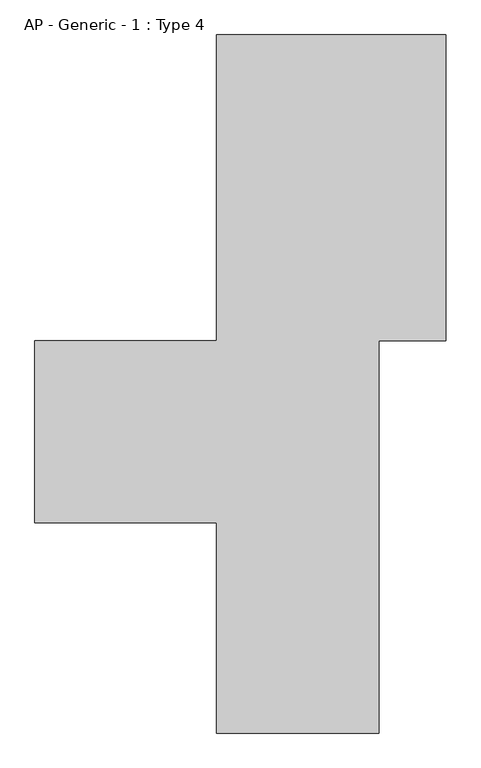
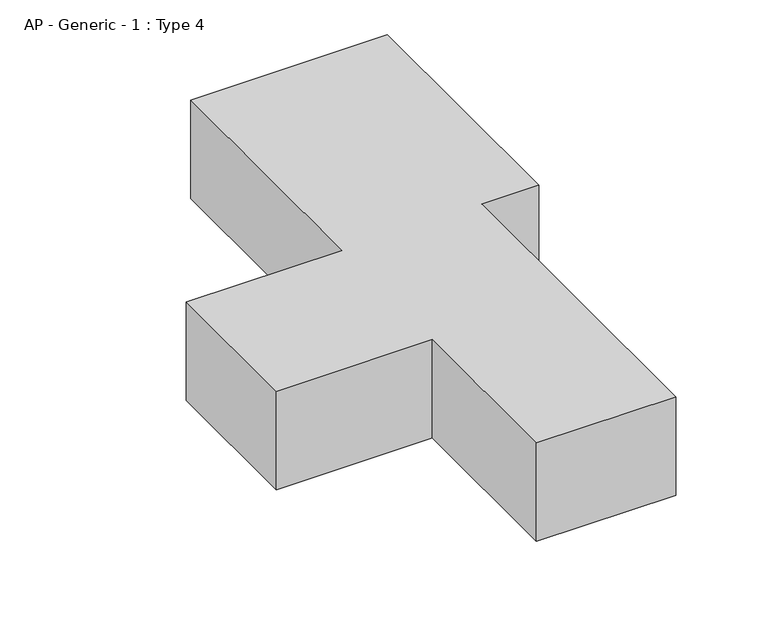
"""IFC4 building model written with IfcOpenShell, lengths in millimetres: proxy geometry, AP - Generic - 1 : Type 4."""

from ifc_helpers import new_model, si_unit, origin, origin_with_axes, place, context, project, spatial, polyline, outline, extrude, source, transform, mapped, element, save


def ap_generic_1_type_4_f179787e(model_context):
    return source(origin(), model_context, "Body", "SweptSolid", [
        extrude(outline(polyline([(2400.0, 5100.0), (2400.0, 1900.0), (1700.0, 1900.0), (1700.0, -2200.0), (0.0, -2200.0), (0.0, 0.0), (-1900.0, 0.0), (-1900.0, 1900.0), (0.0, 1900.0), (0.0, 5100.0), (2400.0, 5100.0)])), origin_with_axes(), (0.0, 0.0, 1.0), 1270.0),
    ])


if __name__ == "__main__":
    model = new_model("IFC4")
    model_context = context("Model", 3, world=origin())
    ifc_project = project(units=[si_unit("LENGTHUNIT", "METRE", prefix="MILLI")], contexts=[model_context])
    site = spatial("IfcSite", under=ifc_project)
    building = spatial("IfcBuilding", under=site)
    placement = place(None, origin())
    ap_generic_1_type_4_shape = ap_generic_1_type_4_f179787e(model_context)
    element("IfcBuildingElementProxy", 1, Name="AP - Generic - 1 : Type 4", ObjectType="AP - Generic - 1 : Type 4", at=placement, inside=building, context=model_context, shape_type="MappedRepresentation", body=[
        mapped(ap_generic_1_type_4_shape, transform((0.0, 0.0, 0.0), x_axis=(1.0, 0.0, 0.0), y_axis=(0.0, 1.0, 0.0), z_axis=(0.0, 0.0, 1.0))),
    ])
    save(model, "model.ifc")
